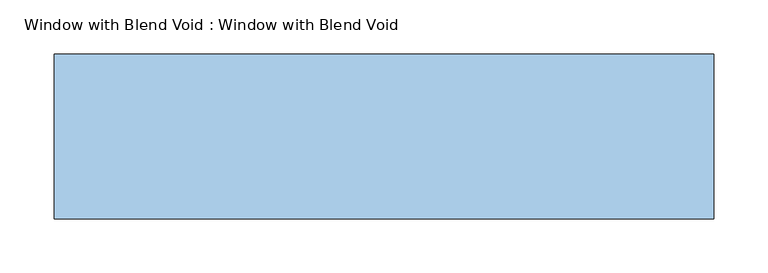
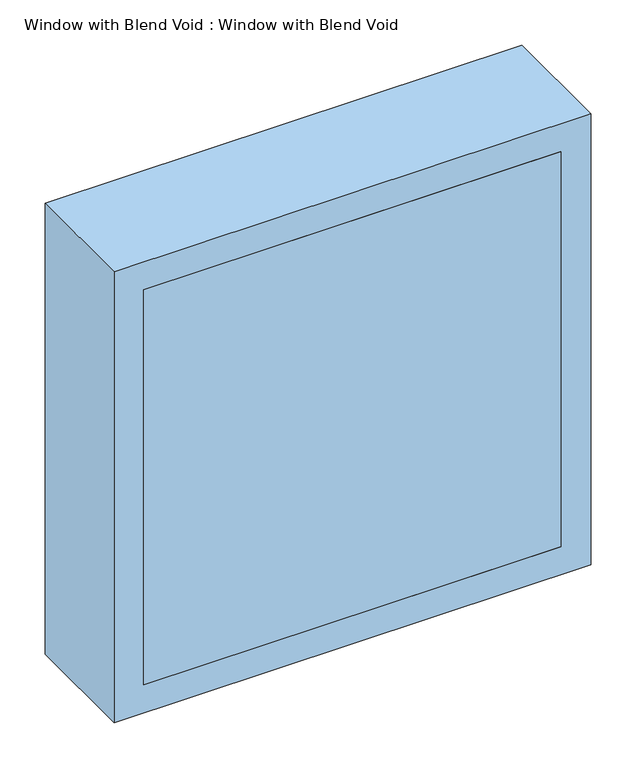
"""IFC4 building model written with IfcOpenShell, lengths in millimetres: window geometry, Window with Blend Void : Window with Blend Void."""

from ifc_helpers import new_model, si_unit, frame, origin, place, context, project, spatial, polyline, outline, extrude, source, transform, mapped, element, save


def window_with_blend_void_window_with_blend_void_8068bbd8(model_context):
    return source(origin(), model_context, "Body", "SweptSolid", [
        extrude(outline(polyline([(266.7, -152.4), (-266.7, -152.4), (-266.7, 0.0), (266.7, 0.0), (266.7, -152.4)])), frame((0.0, 0.0, 1257.3), z_axis=(0.0, 0.0, 1.0), x_axis=(1.0, 0.0, 0.0)), (0.0, 0.0, 1.0), 533.4),
        extrude(outline(polyline([(1828.8, -304.8), (1219.2, -304.8), (1219.2, 304.8), (1828.8, 304.8), (1828.8, -304.8)]), holes=[polyline([(1257.3, -266.7), (1790.7, -266.7), (1790.7, 266.7), (1257.3, 266.7), (1257.3, -266.7)])]), frame((0.0, -152.4, 0.0), z_axis=(0.0, 1.0, 0.0), x_axis=(0.0, 0.0, 1.0)), (0.0, 0.0, 1.0), 152.4),
    ])


if __name__ == "__main__":
    model = new_model("IFC4")
    model_context = context("Model", 3, world=origin())
    ifc_project = project(units=[si_unit("LENGTHUNIT", "METRE", prefix="MILLI")], contexts=[model_context])
    site = spatial("IfcSite", under=ifc_project)
    building = spatial("IfcBuilding", under=site)
    placement = place(None, origin())
    window_with_blend_void_window_with_blend_void_shape = window_with_blend_void_window_with_blend_void_8068bbd8(model_context)
    element("IfcWindow", 1, ObjectType="Window with Blend Void : Window with Blend Void", at=placement, inside=building, context=model_context, shape_type="MappedRepresentation", body=[
        mapped(window_with_blend_void_window_with_blend_void_shape, transform((0.0, 0.0, 0.0), x_axis=(1.0, 0.0, 0.0), y_axis=(0.0, 1.0, 0.0), z_axis=(0.0, 0.0, 1.0))),
    ])
    save(model, "model.ifc")
